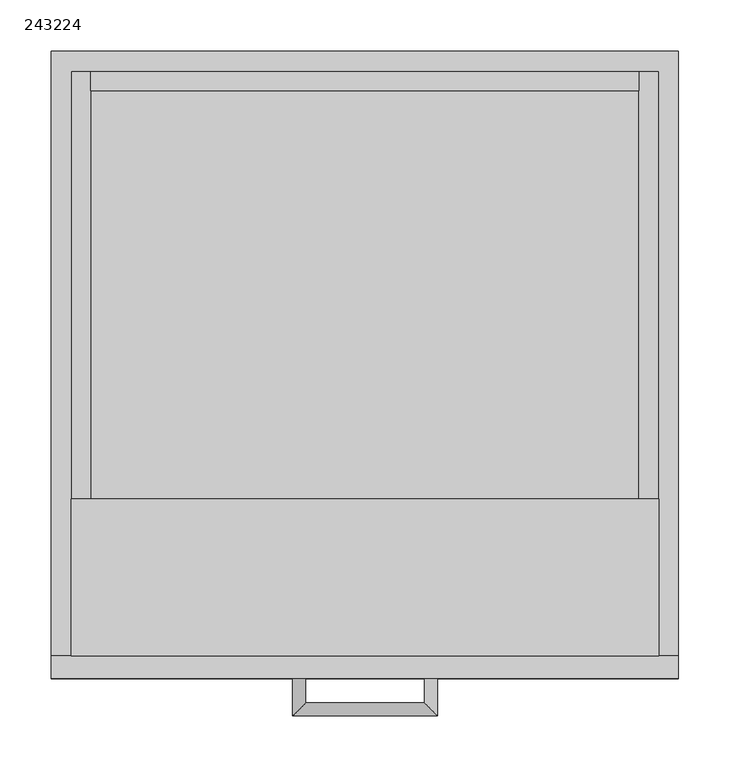
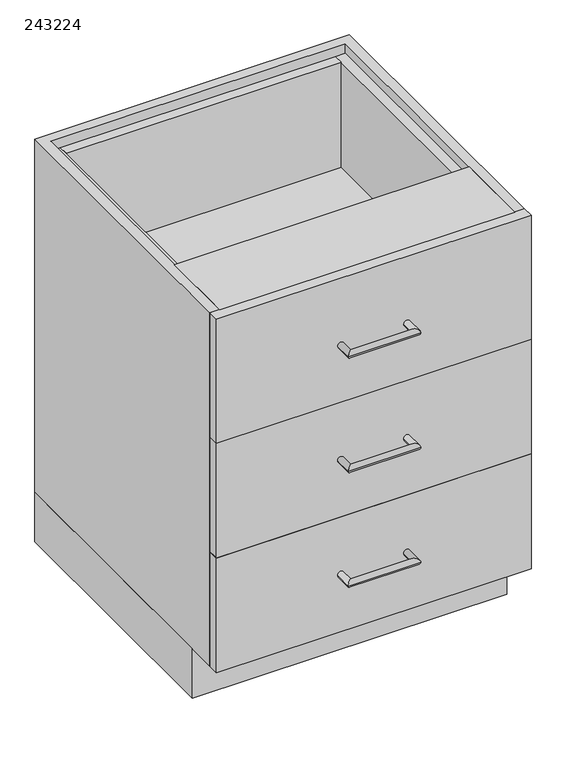
"""IFC4 building model written with IfcOpenShell, lengths in millimetres: furniture geometry, 243224."""

from ifc_helpers import new_model, si_unit, frame, origin, origin_with_axes, place, context, project, spatial, polyline, circle_curve, ellipse_curve, outline, extrude, source, transform, mapped, element, save
from ifc_brep_helpers import plane_surface, cylinder_surface, advanced_brep


def furniture_243224_7e4070fc(model_context):
    return source(origin(), model_context, "Body", "SolidModel", [
        extrude(outline(polyline([(-286.0622951, 0.0), (323.5377049, 0.0), (323.5377049, -528.6), (-286.0622951, -528.6), (-286.0622951, 0.0)]), holes=[polyline([(-266.8622951, -509.4), (304.3377049, -509.4), (304.3377049, -19.2), (-266.8622951, -19.2), (-266.8622951, -509.4)])]), origin_with_axes(), (0.0, 0.0, 1.0), 101.5996875),
        extrude(outline(polyline([(285.1377049, -19.2), (285.1377049, -38.4), (-247.6622951, -38.4), (-247.6622951, -19.2), (285.1377049, -19.2)])), frame((0.0, 0.0, 590.5998958), z_axis=(0.0, 0.0, 1.0), x_axis=(1.0, 0.0, 0.0)), (0.0, 0.0, 1.0), 215.7001042),
        extrude(outline(polyline([(285.1377049, -19.2), (285.1377049, -38.4), (-247.6622951, -38.4), (-247.6622951, -19.2), (285.1377049, -19.2)])), frame((0.0, 0.0, 355.6997917), z_axis=(0.0, 0.0, 1.0), x_axis=(1.0, 0.0, 0.0)), (0.0, 0.0, 1.0), 215.7001042),
        extrude(outline(polyline([(285.1377049, -19.2), (285.1377049, -38.4), (-247.6622951, -38.4), (-247.6622951, -19.2), (285.1377049, -19.2)])), frame((0.0, 0.0, 120.7996875), z_axis=(0.0, 0.0, 1.0), x_axis=(1.0, 0.0, 0.0)), (0.0, 0.0, 1.0), 215.7001042),
        extrude(outline(polyline([(806.3, -247.6622951), (806.3, -266.8622951), (571.3998958, -266.8622951), (571.3998958, 304.3377049), (806.3, 304.3377049), (806.3, 285.1377049), (590.5998958, 285.1377049), (590.5998958, -247.6622951), (806.3, -247.6622951)])), frame((0.0, -587.6, 0.0), z_axis=(0.0, 1.0, 0.0), x_axis=(0.0, 0.0, 1.0)), (0.0, 0.0, 1.0), 568.4),
        extrude(outline(polyline([(571.3998958, -247.6622951), (571.3998958, -266.8622951), (336.4997917, -266.8622951), (336.4997917, 304.3377049), (571.3998958, 304.3377049), (571.3998958, 285.1377049), (355.6997917, 285.1377049), (355.6997917, -247.6622951), (571.3998958, -247.6622951)])), frame((0.0, -587.6, 0.0), z_axis=(0.0, 1.0, 0.0), x_axis=(0.0, 0.0, 1.0)), (0.0, 0.0, 1.0), 568.4),
        extrude(outline(polyline([(336.4997917, -247.6622951), (336.4997917, -266.8622951), (101.5996875, -266.8622951), (101.5996875, 304.3377049), (336.4997917, 304.3377049), (336.4997917, 285.1377049), (120.7996875, 285.1377049), (120.7996875, -247.6622951), (336.4997917, -247.6622951)])), frame((0.0, -587.6, 0.0), z_axis=(0.0, 1.0, 0.0), x_axis=(0.0, 0.0, 1.0)), (0.0, 0.0, 1.0), 568.4),
        extrude(outline(polyline([(304.3377049, -435.2), (304.3377049, -587.6), (-266.8622951, -587.6), (-266.8622951, -435.2), (304.3377049, -435.2)])), frame((0.0, 0.0, 806.3), z_axis=(0.0, 0.0, 1.0), x_axis=(1.0, 0.0, 0.0)), (0.0, 0.0, 1.0), 19.2),
        extrude(outline(polyline([(-286.0622951, -609.6), (-286.0622951, -587.6), (323.5377049, -587.6), (323.5377049, -609.6), (-286.0622951, -609.6)])), frame((0.0, 0.0, 571.3998958), z_axis=(0.0, 0.0, 1.0), x_axis=(1.0, 0.0, 0.0)), (0.0, 0.0, 1.0), 254.1001042),
        advanced_brep(
        [(-51.6122951, -609.6, 688.8499479), (-38.9122951, -609.6, 688.8499479), (-51.6122951, -645.95, 688.8499479), (-38.9122951, -633.25, 688.8499479), (89.0877049, -645.95, 688.8499479), (76.3877049, -633.25, 688.8499479), (89.0877049, -609.6, 688.8499479), (76.3877049, -609.6, 688.8499479)],
        [
            (0, 1, circle_curve(frame((-45.2622951, -609.6, 688.8499479), z_axis=(0.0, 1.0, 0.0), x_axis=(1.0, 0.0, 0.0)), 6.35)),
            (1, 0, circle_curve(frame((-45.2622951, -609.6, 688.8499479), z_axis=(0.0, 1.0, 0.0), x_axis=(1.0, 0.0, 0.0)), 6.35)),
            (0, 2),
            (2, 3, ellipse_curve(frame((-45.2622951, -639.6, 688.8499479), z_axis=(-0.7071067811865475, 0.7071067811865475, 0.0), x_axis=(0.7071067811865474, 0.7071067811865476, 0.0)), 8.9802561, 6.35)),
            (3, 1),
            (3, 2, ellipse_curve(frame((-45.2622951, -639.6, 688.8499479), z_axis=(-0.7071067811865475, 0.7071067811865475, 0.0), x_axis=(0.7071067811865474, 0.7071067811865476, 0.0)), 8.9802561, 6.35)),
            (2, 4),
            (4, 5, ellipse_curve(frame((82.7377049, -639.6, 688.8499479), z_axis=(-0.7071067811865475, -0.7071067811865475, 0.0), x_axis=(-0.7071067811865476, 0.7071067811865474, 0.0)), 8.9802561, 6.35)),
            (5, 3),
            (5, 4, ellipse_curve(frame((82.7377049, -639.6, 688.8499479), z_axis=(-0.7071067811865475, -0.7071067811865475, 0.0), x_axis=(-0.7071067811865476, 0.7071067811865474, 0.0)), 8.9802561, 6.35)),
            (6, 7, circle_curve(frame((82.7377049, -609.6, 688.8499479), z_axis=(0.0, 1.0, 0.0), x_axis=(-1.0, 0.0, 0.0)), 6.35)),
            (7, 6, circle_curve(frame((82.7377049, -609.6, 688.8499479), z_axis=(0.0, 1.0, 0.0), x_axis=(-1.0, 0.0, 0.0)), 6.35)),
            (4, 6),
            (7, 5),
        ],
        [
            plane_surface(frame((-45.2622951, -609.6, 688.8499479), z_axis=(0.0, 1.0, 0.0), x_axis=(0.0, 0.0, 1.0))),
            cylinder_surface(frame((-45.2622951, -609.6, 688.8499479), z_axis=(0.0, 1.0, 0.0), x_axis=(1.0, 0.0, 0.0)), 6.35),
            cylinder_surface(frame((-45.2622951, -639.6, 688.8499479), z_axis=(-1.0, 0.0, 0.0), x_axis=(0.0, 1.0, 0.0)), 6.35),
            plane_surface(frame((82.7377049, -609.6, 688.8499479), z_axis=(0.0, 1.0, 0.0), x_axis=(0.0, 0.0, 1.0))),
            cylinder_surface(frame((82.7377049, -639.6, 688.8499479), z_axis=(0.0, -1.0, 0.0), x_axis=(-1.0, 0.0, 0.0)), 6.35),
        ],
        [
            (0, [[1, 2]]),
            (1, [[-1, 3, 4, 5]]),
            (1, [[-2, -5, 6, -3]]),
            (2, [[-4, 7, 8, 9]]),
            (2, [[-6, -9, 10, -7]]),
            (3, [[11, 12]]),
            (4, [[-8, 13, -12, 14]]),
            (4, [[-10, -14, -11, -13]]),
        ],
    ),
        advanced_brep(
        [(76.3877049, -609.6, 219.0497396), (89.0877049, -609.6, 219.0497396), (76.3877049, -633.25, 219.0497396), (89.0877049, -645.95, 219.0497396), (-38.9122951, -633.25, 219.0497396), (-51.6122951, -645.95, 219.0497396), (-38.9122951, -609.6, 219.0497396), (-51.6122951, -609.6, 219.0497396)],
        [
            (0, 1, circle_curve(frame((82.7377049, -609.6, 219.0497396), z_axis=(0.0, 1.0, 0.0), x_axis=(1.0, 0.0, 0.0)), 6.35)),
            (1, 0, circle_curve(frame((82.7377049, -609.6, 219.0497396), z_axis=(0.0, 1.0, 0.0), x_axis=(1.0, 0.0, 0.0)), 6.35)),
            (0, 2),
            (2, 3, ellipse_curve(frame((82.7377049, -639.6, 219.0497396), z_axis=(0.7071067811865475, 0.7071067811865475, 0.0), x_axis=(-0.7071067811865474, 0.7071067811865476, 0.0)), 8.9802561, 6.35)),
            (3, 1),
            (3, 2, ellipse_curve(frame((82.7377049, -639.6, 219.0497396), z_axis=(0.7071067811865475, 0.7071067811865475, 0.0), x_axis=(-0.7071067811865474, 0.7071067811865476, 0.0)), 8.9802561, 6.35)),
            (2, 4),
            (4, 5, ellipse_curve(frame((-45.2622951, -639.6, 219.0497396), z_axis=(0.7071067811865475, -0.7071067811865475, 0.0), x_axis=(0.7071067811865476, 0.7071067811865474, 0.0)), 8.9802561, 6.35)),
            (5, 3),
            (5, 4, ellipse_curve(frame((-45.2622951, -639.6, 219.0497396), z_axis=(0.7071067811865475, -0.7071067811865475, 0.0), x_axis=(0.7071067811865476, 0.7071067811865474, 0.0)), 8.9802561, 6.35)),
            (6, 7, circle_curve(frame((-45.2622951, -609.6, 219.0497396), z_axis=(0.0, 1.0, 0.0), x_axis=(-1.0, 0.0, 0.0)), 6.35)),
            (7, 6, circle_curve(frame((-45.2622951, -609.6, 219.0497396), z_axis=(0.0, 1.0, 0.0), x_axis=(-1.0, 0.0, 0.0)), 6.35)),
            (4, 6),
            (7, 5),
        ],
        [
            plane_surface(frame((82.7377049, -609.6, 219.0497396), z_axis=(0.0, 1.0, 0.0), x_axis=(0.0, 0.0, 1.0))),
            cylinder_surface(frame((82.7377049, -609.6, 219.0497396), z_axis=(0.0, 1.0, 0.0), x_axis=(1.0, 0.0, 0.0)), 6.35),
            cylinder_surface(frame((82.7377049, -639.6, 219.0497396), z_axis=(1.0, 0.0, 0.0), x_axis=(0.0, -1.0, 0.0)), 6.35),
            plane_surface(frame((-45.2622951, -609.6, 219.0497396), z_axis=(0.0, 1.0, 0.0), x_axis=(0.0, 0.0, 1.0))),
            cylinder_surface(frame((-45.2622951, -639.6, 219.0497396), z_axis=(0.0, -1.0, 0.0), x_axis=(-1.0, 0.0, 0.0)), 6.35),
        ],
        [
            (0, [[1, 2]]),
            (1, [[-1, 3, 4, 5]]),
            (1, [[-2, -5, 6, -3]]),
            (2, [[-4, 7, 8, 9]]),
            (2, [[-6, -9, 10, -7]]),
            (3, [[11, 12]]),
            (4, [[-8, 13, -12, 14]]),
            (4, [[-10, -14, -11, -13]]),
        ],
    ),
        extrude(outline(polyline([(323.5377049, -587.6), (323.5377049, -609.6), (-286.0622951, -609.6), (-286.0622951, -587.6), (323.5377049, -587.6)])), frame((0.0, 0.0, 101.5996875), z_axis=(0.0, 0.0, 1.0), x_axis=(1.0, 0.0, 0.0)), (0.0, 0.0, 1.0), 234.9001042),
        advanced_brep(
        [(-51.6122951, -609.6, 453.9498437), (-38.9122951, -609.6, 453.9498437), (-51.6122951, -645.95, 453.9498437), (-38.9122951, -633.25, 453.9498437), (89.0877049, -645.95, 453.9498437), (76.3877049, -633.25, 453.9498437), (89.0877049, -609.6, 453.9498437), (76.3877049, -609.6, 453.9498437)],
        [
            (0, 1, circle_curve(frame((-45.2622951, -609.6, 453.9498437), z_axis=(0.0, 1.0, 0.0), x_axis=(1.0, 0.0, 0.0)), 6.35)),
            (1, 0, circle_curve(frame((-45.2622951, -609.6, 453.9498437), z_axis=(0.0, 1.0, 0.0), x_axis=(1.0, 0.0, 0.0)), 6.35)),
            (0, 2),
            (2, 3, ellipse_curve(frame((-45.2622951, -639.6, 453.9498437), z_axis=(-0.7071067811865475, 0.7071067811865475, 0.0), x_axis=(0.7071067811865474, 0.7071067811865476, 0.0)), 8.9802561, 6.35)),
            (3, 1),
            (3, 2, ellipse_curve(frame((-45.2622951, -639.6, 453.9498437), z_axis=(-0.7071067811865475, 0.7071067811865475, 0.0), x_axis=(0.7071067811865474, 0.7071067811865476, 0.0)), 8.9802561, 6.35)),
            (2, 4),
            (4, 5, ellipse_curve(frame((82.7377049, -639.6, 453.9498437), z_axis=(-0.7071067811865475, -0.7071067811865475, 0.0), x_axis=(-0.7071067811865476, 0.7071067811865474, 0.0)), 8.9802561, 6.35)),
            (5, 3),
            (5, 4, ellipse_curve(frame((82.7377049, -639.6, 453.9498437), z_axis=(-0.7071067811865475, -0.7071067811865475, 0.0), x_axis=(-0.7071067811865476, 0.7071067811865474, 0.0)), 8.9802561, 6.35)),
            (6, 7, circle_curve(frame((82.7377049, -609.6, 453.9498437), z_axis=(0.0, 1.0, 0.0), x_axis=(-1.0, 0.0, 0.0)), 6.35)),
            (7, 6, circle_curve(frame((82.7377049, -609.6, 453.9498437), z_axis=(0.0, 1.0, 0.0), x_axis=(-1.0, 0.0, 0.0)), 6.35)),
            (4, 6),
            (7, 5),
        ],
        [
            plane_surface(frame((-45.2622951, -609.6, 453.9498437), z_axis=(0.0, 1.0, 0.0), x_axis=(0.0, 0.0, 1.0))),
            cylinder_surface(frame((-45.2622951, -609.6, 453.9498437), z_axis=(0.0, 1.0, 0.0), x_axis=(1.0, 0.0, 0.0)), 6.35),
            cylinder_surface(frame((-45.2622951, -639.6, 453.9498437), z_axis=(-1.0, 0.0, 0.0), x_axis=(0.0, 1.0, 0.0)), 6.35),
            plane_surface(frame((82.7377049, -609.6, 453.9498437), z_axis=(0.0, 1.0, 0.0), x_axis=(0.0, 0.0, 1.0))),
            cylinder_surface(frame((82.7377049, -639.6, 453.9498437), z_axis=(0.0, -1.0, 0.0), x_axis=(-1.0, 0.0, 0.0)), 6.35),
        ],
        [
            (0, [[1, 2]]),
            (1, [[-1, 3, 4, 5]]),
            (1, [[-2, -5, 6, -3]]),
            (2, [[-4, 7, 8, 9]]),
            (2, [[-6, -9, 10, -7]]),
            (3, [[11, 12]]),
            (4, [[-8, 13, -12, 14]]),
            (4, [[-10, -14, -11, -13]]),
        ],
    ),
        extrude(outline(polyline([(-286.0622951, -609.6), (-286.0622951, -587.6), (323.5377049, -587.6), (323.5377049, -609.6), (-286.0622951, -609.6)])), frame((0.0, 0.0, 336.4997917), z_axis=(0.0, 0.0, 1.0), x_axis=(1.0, 0.0, 0.0)), (0.0, 0.0, 1.0), 234.9001042),
        extrude(outline(polyline([(323.5377049, -587.6), (304.3377049, -587.6), (304.3377049, -19.2), (-266.8622951, -19.2), (-266.8622951, -587.6), (-286.0622951, -587.6), (-286.0622951, 0.0), (323.5377049, 0.0), (323.5377049, -587.6)])), frame((0.0, 0.0, 101.5996875), z_axis=(0.0, 0.0, 1.0), x_axis=(1.0, 0.0, 0.0)), (0.0, 0.0, 1.0), 723.9003125),
    ])


if __name__ == "__main__":
    model = new_model("IFC4")
    model_context = context("Model", 3, world=origin())
    ifc_project = project(units=[si_unit("LENGTHUNIT", "METRE", prefix="MILLI")], contexts=[model_context])
    site = spatial("IfcSite", under=ifc_project)
    building = spatial("IfcBuilding", under=site)
    placement = place(None, origin())
    furniture_243224_shape = furniture_243224_7e4070fc(model_context)
    element("IfcFurniture", 1, ObjectType="243224", at=placement, inside=building, context=model_context, shape_type="MappedRepresentation", body=[
        mapped(furniture_243224_shape, transform((0.0, 0.0, 0.0), x_axis=(1.0, 0.0, 0.0), y_axis=(0.0, 1.0, 0.0), z_axis=(0.0, 0.0, 1.0))),
    ])
    save(model, "model.ifc")
